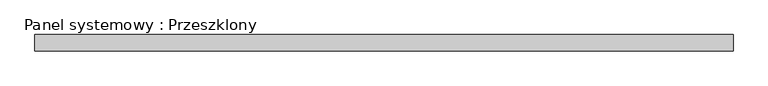
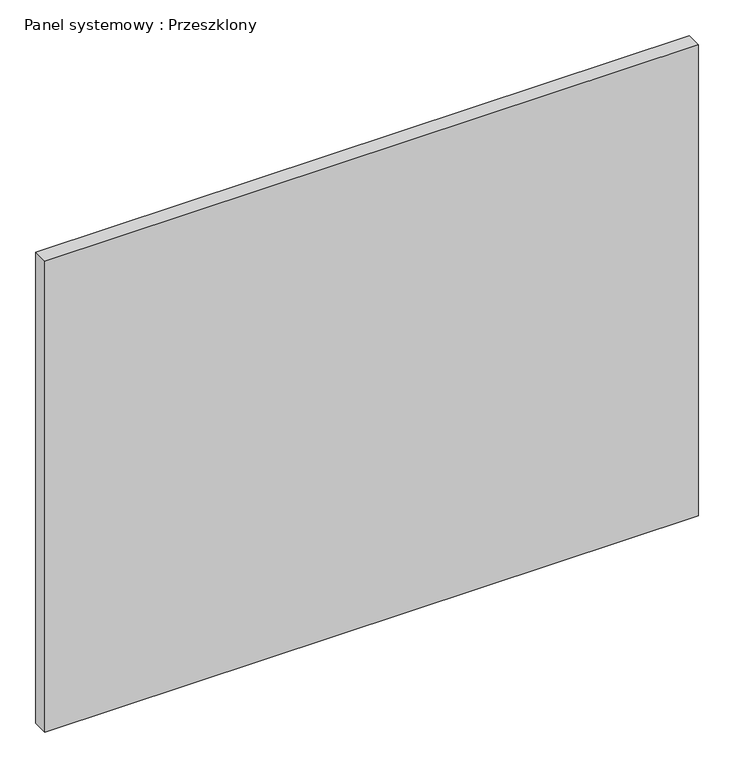
"""IFC4 building model written with IfcOpenShell, lengths in millimetres: plate geometry, Panel systemowy : Przeszklony."""

from ifc_helpers import new_model, si_unit, origin, origin_with_axes, place, context, project, spatial, polyline, outline, extrude, source, transform, mapped, element, save


def panel_systemowy_przeszklony_da11b4a1(model_context):
    return source(origin(), model_context, "Body", "SweptSolid", [
        extrude(outline(polyline([(527.5, -12.5), (-527.5, -12.5), (-527.5, 12.5), (527.5, 12.5), (527.5, -12.5)])), origin_with_axes(), (0.0, 0.0, 1.0), 803.3333333),
    ])


if __name__ == "__main__":
    model = new_model("IFC4")
    model_context = context("Model", 3, world=origin())
    ifc_project = project(units=[si_unit("LENGTHUNIT", "METRE", prefix="MILLI")], contexts=[model_context])
    site = spatial("IfcSite", under=ifc_project)
    building = spatial("IfcBuilding", under=site)
    placement = place(None, origin())
    panel_systemowy_przeszklony_shape = panel_systemowy_przeszklony_da11b4a1(model_context)
    element("IfcPlate", 1, ObjectType="Panel systemowy : Przeszklony", at=placement, inside=building, context=model_context, shape_type="MappedRepresentation", body=[
        mapped(panel_systemowy_przeszklony_shape, transform((0.0, 0.0, 0.0), x_axis=(1.0, 0.0, 0.0), y_axis=(0.0, 1.0, 0.0), z_axis=(0.0, 0.0, 1.0))),
    ])
    save(model, "model.ifc")
